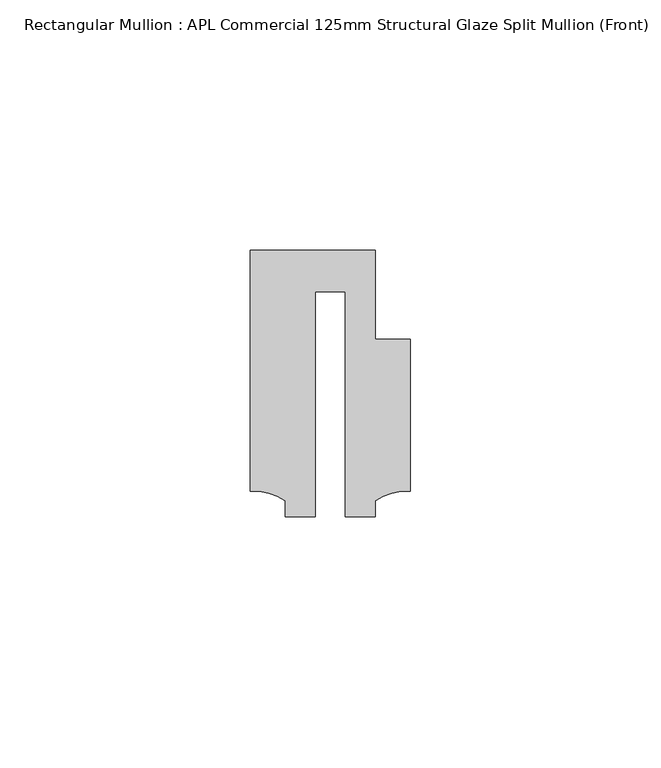
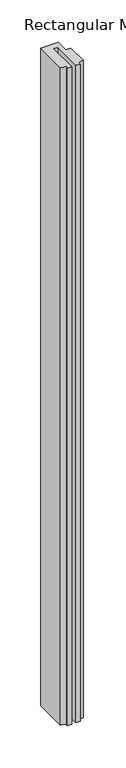
"""IFC4 building model written with IfcOpenShell, lengths in millimetres: member geometry, Rectangular Mullion : APL Commercial 125mm Structural Glaze Split Mullion (Front)."""

import ifcopenshell
import ifcopenshell.guid

model = None  # the IFC model being written
_history = None  # IfcOwnerHistory: only IFC2X3 demands one
_inside = {}  # id of a spatial element -> (the spatial element, [elements in it])
_under = {}  # id of a project, library or spatial element -> (it, [spatial elements below it])
_declared = {}  # id of a project -> (the project, [libraries it declares])
_typed = {}  # id of a type object -> (the type object, [elements of that type])
_made_of = {}  # id of a material, layer set ... -> (it, [elements and type objects made of it])


def new_model(schema):
    """Start an empty IFC model of exactly this schema.

    Asked for "IFC4X3", IfcOpenShell would pick the latest addendum, in which some entities
    have other attributes; the version numbers below select the first issue.
    IFC2X3 requires an IfcOwnerHistory on every rooted entity: one is made here for all.
    """
    global model, _history
    if schema == "IFC4X3":
        model = ifcopenshell.file(schema_version=(4, 3, 0, 0))
    else:
        model = ifcopenshell.file(schema=schema)
    _inside.clear()
    _under.clear()
    _declared.clear()
    _typed.clear()
    _made_of.clear()
    _history = None
    if model.schema == "IFC2X3":
        org = make("IfcOrganization", Name="unknown")
        user = make(
            "IfcPersonAndOrganization",
            ThePerson=make("IfcPerson", FamilyName="unknown"),
            TheOrganization=org,
        )
        app = make(
            "IfcApplication",
            ApplicationDeveloper=org,
            Version="unknown",
            ApplicationFullName="unknown",
            ApplicationIdentifier="unknown",
        )
        _history = make(
            "IfcOwnerHistory",
            OwningUser=user,
            OwningApplication=app,
            ChangeAction="ADDED",
            CreationDate=0,
        )
    return model


def make(cls, **values):
    """One entity of the class cls with the attributes given. An attribute that is None is left unset."""
    return model.create_entity(
        cls, **{name: value for name, value in values.items() if value is not None}
    )


def rooted(cls, **values):
    """An entity with a GlobalId (a new one), such as an element, a storey or a relation."""
    return make(cls, GlobalId=ifcopenshell.guid.new(), OwnerHistory=_history, **values)


def si_unit(unit_type, name, prefix=None):
    """IfcSIUnit, for example si_unit("LENGTHUNIT", "METRE", prefix="MILLI")."""
    return make("IfcSIUnit", UnitType=unit_type, Prefix=prefix, Name=name)


def assignment(units):
    """IfcUnitAssignment: the units of a project."""
    return None if units is None else make("IfcUnitAssignment", Units=units)


def point(xyz):
    """IfcCartesianPoint."""
    return None if xyz is None else make("IfcCartesianPoint", Coordinates=xyz)


def direction(xyz):
    """IfcDirection."""
    return None if xyz is None else make("IfcDirection", DirectionRatios=xyz)


def frame(location, z_axis=None, x_axis=None):
    """IfcAxis2Placement3D, a coordinate frame: its origin and axes. An axis left out is left unset."""
    return make(
        "IfcAxis2Placement3D",
        Location=point(location),
        Axis=direction(z_axis),
        RefDirection=direction(x_axis),
    )


def frame_2d(location, x_axis=None):
    """IfcAxis2Placement2D, a coordinate frame in the plane: its origin and x axis."""
    return make(
        "IfcAxis2Placement2D", Location=point(location), RefDirection=direction(x_axis)
    )


def origin():
    """The frame at (0, 0, 0) with its axes left unset."""
    return frame((0.0, 0.0, 0.0))


def place(relative_to, where):
    """IfcLocalPlacement: puts the frame where relative to a parent placement (None: the world)."""
    return make(
        "IfcLocalPlacement", PlacementRelTo=relative_to, RelativePlacement=where
    )


def context(
    kind, dimensions, precision=None, world=None, true_north=None, identifier=None
):
    """IfcGeometricRepresentationContext, for example the 3D "Model" context."""
    return make(
        "IfcGeometricRepresentationContext",
        ContextIdentifier=identifier,
        ContextType=kind,
        CoordinateSpaceDimension=dimensions,
        Precision=precision,
        WorldCoordinateSystem=world,
        TrueNorth=true_north,
    )


def project(units=None, contexts=None):
    """IfcProject with its units and contexts."""
    return rooted(
        "IfcProject",
        Name="project",
        RepresentationContexts=contexts,
        UnitsInContext=assignment(units),
    )


def spatial(cls, under=None, at=None, **own):
    """A site, building, storey or space (cls), placed at a placement, below another one or the project."""
    s = rooted(cls, ObjectPlacement=at, **own)
    if under is not None:
        _under.setdefault(under.id(), (under, []))[1].append(s)
    return s


def polyline(points):
    """IfcPolyline through the points."""
    return make("IfcPolyline", Points=[point(p) for p in points])


def circle_curve(where, radius):
    """IfcCircle in the frame where."""
    return make("IfcCircle", Position=where, Radius=radius)


def trimmed(basis, trim1, trim2, sense, master):
    """IfcTrimmedCurve: the piece of a basis curve between two trims."""
    return make(
        "IfcTrimmedCurve",
        BasisCurve=basis,
        Trim1=trim1,
        Trim2=trim2,
        SenseAgreement=sense,
        MasterRepresentation=master,
    )


def segment(curve, same_sense, transition):
    """IfcCompositeCurveSegment."""
    return make(
        "IfcCompositeCurveSegment",
        Transition=transition,
        SameSense=same_sense,
        ParentCurve=curve,
    )


def composite_curve(segments, self_intersect=None):
    """IfcCompositeCurve: segments joined end to end."""
    return make("IfcCompositeCurve", Segments=segments, SelfIntersect=self_intersect)


def outline(outer, holes=None, kind="AREA"):
    """IfcArbitraryClosedProfileDef: a profile drawn as a closed curve; with holes, ...WithVoids."""
    if holes is None:
        return make("IfcArbitraryClosedProfileDef", ProfileType=kind, OuterCurve=outer)
    return make(
        "IfcArbitraryProfileDefWithVoids",
        ProfileType=kind,
        OuterCurve=outer,
        InnerCurves=holes,
    )


def extrude(swept, where, along, depth):
    """IfcExtrudedAreaSolid: the profile swept, set in the frame where, extruded along a direction by depth."""
    return make(
        "IfcExtrudedAreaSolid",
        SweptArea=swept,
        Position=where,
        ExtrudedDirection=direction(along),
        Depth=depth,
    )


def shape(context_of_items, identifier, shape_type, items):
    """IfcShapeRepresentation: the items that make up one representation, for example the "Body"."""
    return make(
        "IfcShapeRepresentation",
        ContextOfItems=context_of_items,
        RepresentationIdentifier=identifier,
        RepresentationType=shape_type,
        Items=items,
    )


def source(mapping_origin, context_of_items, identifier, shape_type, items):
    """IfcRepresentationMap: a shape defined once, which mapped items show again and again."""
    return make(
        "IfcRepresentationMap",
        MappingOrigin=mapping_origin,
        MappedRepresentation=shape(context_of_items, identifier, shape_type, items),
    )


def transform(
    local_origin,
    x_axis=None,
    y_axis=None,
    z_axis=None,
    scale=None,
    scale2=None,
    scale3=None,
    uniform=True,
):
    """IfcCartesianTransformationOperator3D, or its non-uniform kind. x_axis, y_axis, z_axis: its Axis1, 2, 3."""
    if uniform:
        return make(
            "IfcCartesianTransformationOperator3D",
            Axis1=direction(x_axis),
            Axis2=direction(y_axis),
            LocalOrigin=point(local_origin),
            Scale=scale,
            Axis3=direction(z_axis),
        )
    return make(
        "IfcCartesianTransformationOperator3DnonUniform",
        Axis1=direction(x_axis),
        Axis2=direction(y_axis),
        LocalOrigin=point(local_origin),
        Scale=scale,
        Axis3=direction(z_axis),
        Scale2=scale2,
        Scale3=scale3,
    )


def mapped(mapping_source, mapping_target):
    """IfcMappedItem: shows the shape of a source again, moved by a transform."""
    return make(
        "IfcMappedItem", MappingSource=mapping_source, MappingTarget=mapping_target
    )


def made_of(thing, what):
    """Note that an element or type object is made of a material, layer set ...; save() writes the relation."""
    if what is not None:
        _made_of.setdefault(what.id(), (what, []))[1].append(thing)
    return thing


def element(
    cls,
    number,
    at=None,
    inside=None,
    cuts=None,
    type_object=None,
    material=None,
    context=None,
    identifier="Body",
    shape_type=None,
    held_by="IfcProductDefinitionShape",
    body=None,
    shapes=None,
    **own,
):
    """One element of the class cls, such as IfcWall. Its Tag is "e" and its number.

    at: its placement. inside: the storey or other place that contains it. cuts: it is an
    opening in that element (IfcRelVoidsElement). A single representation is given by context,
    identifier, shape_type and body (its items); several are given by shapes. held_by: the class
    of the entity that holds the representations. save() writes the other relations.
    """
    e = rooted(cls, Tag="e%d" % number, ObjectPlacement=at, **own)
    if body is not None:
        shapes = [shape(context, identifier, shape_type, body)]
    if shapes is not None:
        e.Representation = make(held_by, Representations=shapes)
    if inside is not None:
        _inside.setdefault(inside.id(), (inside, []))[1].append(e)
    if cuts is not None:
        rooted(
            "IfcRelVoidsElement", RelatingBuildingElement=cuts, RelatedOpeningElement=e
        )
    if type_object is not None:
        _typed.setdefault(type_object.id(), (type_object, []))[1].append(e)
    return made_of(e, material)


def aggregate(whole, parts):
    """IfcRelAggregates: a whole, such as a stair, and the parts it consists of."""
    return rooted("IfcRelAggregates", RelatingObject=whole, RelatedObjects=parts)


def save(model, path):
    """Write the relations noted so far, then the file.

    IfcRelAggregates (storeys below a building ...), IfcRelContainedInSpatialStructure (elements
    in a storey), IfcRelDefinesByType, IfcRelAssociatesMaterial and IfcRelDeclares: one each for
    every whole, place, type object, material and project.
    """
    for whole, parts in _under.values():
        aggregate(whole, parts)
    for where, things in _inside.values():
        rooted(
            "IfcRelContainedInSpatialStructure",
            RelatedElements=things,
            RelatingStructure=where,
        )
    for kind, things in _typed.values():
        rooted("IfcRelDefinesByType", RelatedObjects=things, RelatingType=kind)
    for what, things in _made_of.values():
        rooted("IfcRelAssociatesMaterial", RelatedObjects=things, RelatingMaterial=what)
    for by, libraries in _declared.values():
        rooted("IfcRelDeclares", RelatingContext=by, RelatedDefinitions=libraries)
    model.write(path)


def rectangular_mullion_apl_commercial_125mm_structural_glaze_07a35da2(model_context):
    return source(origin(), model_context, "Body", "SweptSolid", [
        extrude(outline(composite_curve([segment(polyline([(15.9999391, 14.9953356), (15.9999391, -15.3837352)]), True, "CONTINUOUS"), segment(trimmed(circle_curve(frame_2d((15.1098019, -25.802169)), 10.4563907), [point((15.9999391, -15.3837352))], [point((8.9999842, -17.3165203))], True, "CARTESIAN"), True, "CONTINUOUS"), segment(polyline([(8.9999842, -17.3165203), (8.9999842, -20.5039877), (2.9999676, -20.5039877), (2.9999676, 24.5130805), (-2.9999659, 24.5130805), (-2.9999659, -20.5039877), (-8.9999842, -20.5039877), (-8.9999842, -17.3165203)]), True, "CONTINUOUS"), segment(trimmed(circle_curve(frame_2d((-15.1098019, -25.802169)), 10.4563907), [point((-8.9999842, -17.3165203))], [point((-15.9999391, -15.3837352))], True, "CARTESIAN"), True, "CONTINUOUS"), segment(polyline([(-15.9999391, -15.3837352), (-15.9999391, 32.7960123), (9.0, 32.7960123), (9.0, 14.9953356), (15.9999391, 14.9953356)]), True, "CONTINUOUS")], self_intersect=False)), frame((0.0, 0.0, -983.3198652), z_axis=(0.0, 0.0, 1.0), x_axis=(1.0, 0.0, 0.0)), (0.0, 0.0, 1.0), 983.3198652),
    ])


if __name__ == "__main__":
    model = new_model("IFC4")
    model_context = context("Model", 3, world=origin())
    ifc_project = project(units=[si_unit("LENGTHUNIT", "METRE", prefix="MILLI")], contexts=[model_context])
    site = spatial("IfcSite", under=ifc_project)
    building = spatial("IfcBuilding", under=site)
    placement = place(None, origin())
    rectangular_mullion_apl_commercial_125mm_structural_glaze_shape = rectangular_mullion_apl_commercial_125mm_structural_glaze_07a35da2(model_context)
    element("IfcMember", 1, ObjectType="Rectangular Mullion : APL Commercial 125mm Structural Glaze Split Mullion (Front)", at=placement, inside=building, context=model_context, shape_type="MappedRepresentation", body=[
        mapped(rectangular_mullion_apl_commercial_125mm_structural_glaze_shape, transform((0.0, 0.0, 0.0), x_axis=(1.0, 0.0, 0.0), y_axis=(0.0, 1.0, 0.0), z_axis=(0.0, 0.0, 1.0))),
    ])
    save(model, "model.ifc")
